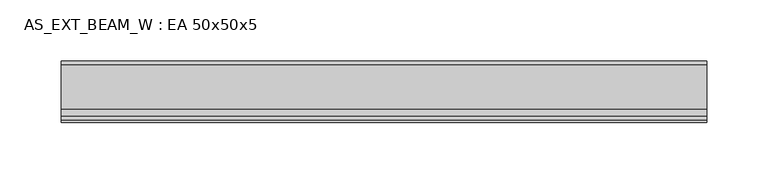
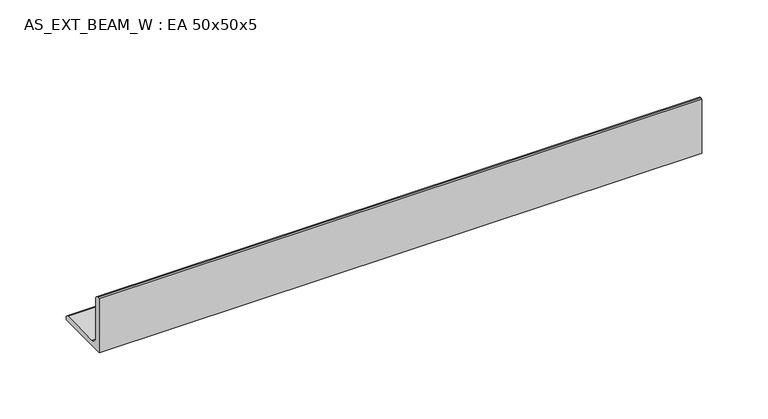
"""IFC4 building model written with IfcOpenShell, lengths in millimetres: beam geometry, AS_EXT_BEAM_W : EA 50x50x5."""

from ifc_helpers import new_model, si_unit, point, frame, frame_2d, origin, place, context, project, spatial, polyline, circle_curve, trimmed, segment, composite_curve, outline, extrude, source, transform, mapped, element, save


def as_ext_beam_w_ea_50x50x5_742bb9c3(model_context):
    return source(origin(), model_context, "Body", "SweptSolid", [
        extrude(outline(composite_curve([segment(polyline([(-13.9, -13.9), (-13.9, 36.1), (-11.9, 36.1)]), True, "CONTINUOUS"), segment(trimmed(circle_curve(frame_2d((-11.9, 33.1)), 3.0), [point((-11.9, 36.1))], [point((-8.9, 33.1))], False, "CARTESIAN"), True, "CONTINUOUS"), segment(polyline([(-8.9, 33.1), (-8.9, -2.9)]), True, "CONTINUOUS"), segment(trimmed(circle_curve(frame_2d((-2.9, -2.9)), 6.0), [point((-8.9, -2.9))], [point((-2.9, -8.9))], True, "CARTESIAN"), True, "CONTINUOUS"), segment(polyline([(-2.9, -8.9), (33.1, -8.9)]), True, "CONTINUOUS"), segment(trimmed(circle_curve(frame_2d((33.1, -11.9)), 3.0), [point((33.1, -8.9))], [point((36.1, -11.9))], False, "CARTESIAN"), True, "CONTINUOUS"), segment(polyline([(36.1, -11.9), (36.1, -13.9), (-13.9, -13.9)]), True, "CONTINUOUS")], self_intersect=False)), frame((-263.0, 0.0, 0.0), z_axis=(1.0, 0.0, 0.0), x_axis=(0.0, 1.0, 0.0)), (0.0, 0.0, 1.0), 526.0),
    ])


if __name__ == "__main__":
    model = new_model("IFC4")
    model_context = context("Model", 3, world=origin())
    ifc_project = project(units=[si_unit("LENGTHUNIT", "METRE", prefix="MILLI")], contexts=[model_context])
    site = spatial("IfcSite", under=ifc_project)
    building = spatial("IfcBuilding", under=site)
    placement = place(None, origin())
    as_ext_beam_w_ea_50x50x5_shape = as_ext_beam_w_ea_50x50x5_742bb9c3(model_context)
    element("IfcBeam", 1, ObjectType="AS_EXT_BEAM_W : EA 50x50x5", at=placement, inside=building, context=model_context, shape_type="MappedRepresentation", body=[
        mapped(as_ext_beam_w_ea_50x50x5_shape, transform((0.0, 0.0, 0.0), x_axis=(1.0, 0.0, 0.0), y_axis=(0.0, 1.0, 0.0), z_axis=(0.0, 0.0, 1.0))),
    ])
    save(model, "model.ifc")
